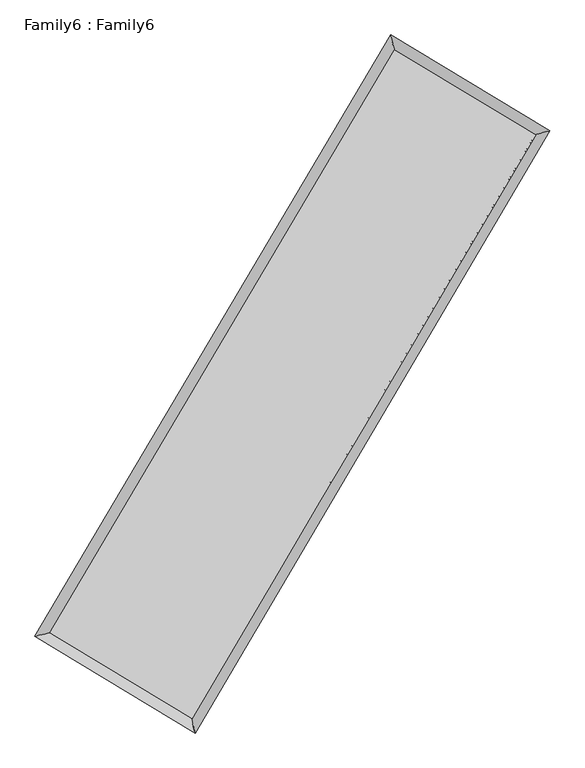
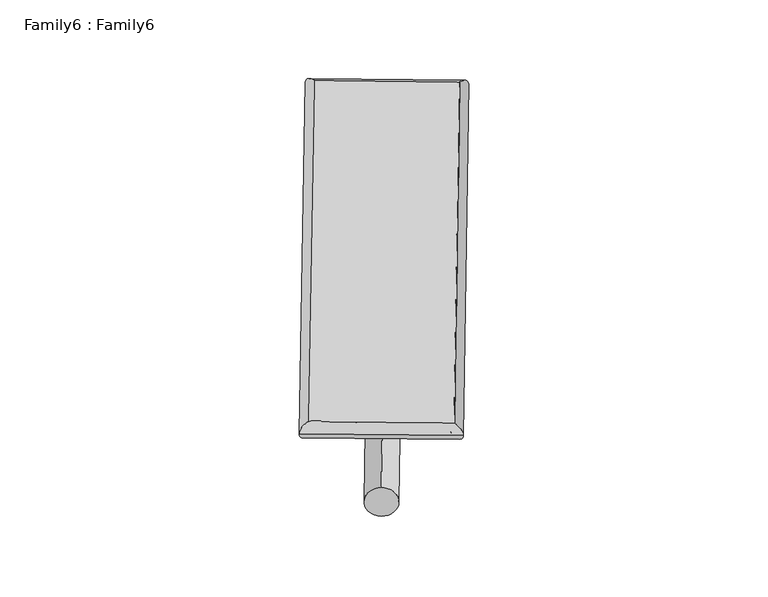
"""IFC4 building model written with IfcOpenShell, lengths in millimetres: plate geometry, Family6 : Family6."""

from ifc_helpers import new_model, si_unit, point, frame, origin, origin_2d, place, context, project, spatial, circle_curve, ellipse_curve, trimmed, segment, composite_curve, outline, extrude, source, transform, mapped, element, save
from ifc_brep_helpers import plane_surface, cylinder_surface, spline_surface, advanced_brep


def family6_family6_e72de1d5(model_context):
    return source(origin(), model_context, "Body", "SolidModel", [
        extrude(outline(composite_curve([segment(trimmed(circle_curve(origin_2d(), 76.2), [point((-75.4341514, -10.7763073))], [point((75.4341514, 10.7763073))], False, "CARTESIAN"), True, "CONTINUOUS"), segment(trimmed(circle_curve(origin_2d(), 76.2), [point((75.4341514, 10.7763073))], [point((-75.4341514, -10.7763073))], False, "CARTESIAN"), True, "CONTINUOUS")], self_intersect=False)), frame((9144.0, 9144.0, 0.0), z_axis=(0.6720700956369555, 0.6882352773231689, 0.27322882278126254), x_axis=(-0.6802209886661403, 0.7196153435509732, -0.13947459949422156)), (0.0, 0.0, 1.0), 5559.9955871),
        extrude(outline(composite_curve([segment(trimmed(circle_curve(origin_2d(), 76.2), [point((-53.8815367, 53.8815367))], [point((53.8815367, -53.8815367))], False, "CARTESIAN"), True, "CONTINUOUS"), segment(trimmed(circle_curve(origin_2d(), 76.2), [point((53.8815367, -53.8815367))], [point((-53.8815367, 53.8815367))], False, "CARTESIAN"), True, "CONTINUOUS")], self_intersect=False)), frame((9144.0, 9144.0, 0.0), z_axis=(-0.6731466337697316, -0.6871889648537659, 0.2732122545342516), x_axis=(0.6414793423896354, -0.358784641216516, 0.6780691959634332)), (0.0, 0.0, 1.0), 5560.5196487),
        extrude(outline(composite_curve([segment(trimmed(circle_curve(origin_2d(), 76.2), [point((-53.8815367, -53.8815367))], [point((53.8815367, 53.8815367))], False, "CARTESIAN"), True, "CONTINUOUS"), segment(trimmed(circle_curve(origin_2d(), 76.2), [point((53.8815367, 53.8815367))], [point((-53.8815367, -53.8815367))], False, "CARTESIAN"), True, "CONTINUOUS")], self_intersect=False)), frame((9144.0, 9144.0, 0.0), z_axis=(0.2784481589652411, 0.920731429874577, 0.273350062758333), x_axis=(-0.8390878876451698, 0.3716848782020465, -0.3972176583727073)), (0.0, 0.0, 1.0), 5581.1785606),
        extrude(outline(composite_curve([segment(trimmed(circle_curve(origin_2d(), 76.2), [point((-75.4341514, 10.7763073))], [point((75.4341514, -10.7763073))], False, "CARTESIAN"), True, "CONTINUOUS"), segment(trimmed(circle_curve(origin_2d(), 76.2), [point((75.4341514, -10.7763073))], [point((-75.4341514, 10.7763073))], False, "CARTESIAN"), True, "CONTINUOUS")], self_intersect=False)), frame((9144.0, 9144.0, 0.0), z_axis=(-0.277150514748053, -0.9211771560057433, 0.2731670540677618), x_axis=(0.8777368144281308, -0.127083952632307, 0.4619824169607613)), (0.0, 0.0, 1.0), 5585.1686335),
        advanced_brep(
        [(5192.8854994, 5270.3869226, 1519.7188263), (5609.0257409, 5375.3595679, 1519.8508109), (5609.0243336, 5375.3575945, 1518.6853929), (10751.1238214, 14073.0499343, 1524.9111116), (10645.0139687, 14492.4830986, 1526.319908), (5192.884092, 5270.3849492, 1518.5534083), (12672.7363177, 12917.7945291, 1519.2197466), (13088.6772142, 13023.3756805, 1519.0823512), (7542.9087109, 4209.0968292, 1525.5613776), (7649.2265657, 3789.0436556, 1525.8067466)],
        [
            (0, 1, ellipse_curve(frame((5400.9549165, 5322.8722586, 1519.2021096), z_axis=(-0.24459056708332136, 0.9696255161318722, -0.0013464619785895986), x_axis=(-0.9696232409821692, -0.2445930947144449, -0.0022335096249638145)), 214.589922, 152.4)),
            (1, 2, ellipse_curve(frame((5400.9549165, 5322.8722586, 1519.2021096), z_axis=(-0.24459056708332136, 0.9696255161318722, -0.0013464619785895986), x_axis=(-0.9696232409821692, -0.2445930947144449, -0.0022335096249638145)), 214.589922, 152.4)),
            (2, 3),
            (3, 4, ellipse_curve(frame((10698.068895, 14282.7665165, 1525.6155098), z_axis=(-0.9694560290913461, -0.24526138411868986, 0.0013642282153734035), x_axis=(0.24525806739951725, -0.9694552807120319, -0.002222402980782918)), 216.3247951, 152.4)),
            (4, 0),
            (2, 5, ellipse_curve(frame((5400.9549165, 5322.8722586, 1519.2021096), z_axis=(-0.24459056708332136, 0.9696255161318722, -0.0013464619785895986), x_axis=(-0.9696232409821692, -0.2445930947144449, -0.0022335096249638145)), 214.589922, 152.4)),
            (5, 0, ellipse_curve(frame((5400.9549165, 5322.8722586, 1519.2021096), z_axis=(-0.24459056708332136, 0.9696255161318722, -0.0013464619785895986), x_axis=(-0.9696232409821692, -0.2445930947144449, -0.0022335096249638145)), 214.589922, 152.4)),
            (4, 3, ellipse_curve(frame((10698.068895, 14282.7665165, 1525.6155098), z_axis=(-0.9694560290913461, -0.24526138411868986, 0.0013642282153734035), x_axis=(0.24525806739951725, -0.9694552807120319, -0.002222402980782918)), 216.3247951, 152.4)),
            (3, 6),
            (6, 7, ellipse_curve(frame((12880.7067659, 12970.5851048, 1519.1510489), z_axis=(-0.24603361018179357, 0.9692603639295734, 0.0013452048260602877), x_axis=(-0.9692580461697186, -0.24603614267905594, 0.0022486509001058796)), 214.5663653, 152.4)),
            (7, 4),
            (7, 6, ellipse_curve(frame((12880.7067659, 12970.5851048, 1519.1510489), z_axis=(-0.24603361018179357, 0.9692603639295734, 0.0013452048260602877), x_axis=(-0.9692580461697186, -0.24603614267905594, 0.0022486509001058796)), 214.5663653, 152.4)),
            (6, 8),
            (8, 9, ellipse_curve(frame((7596.0676383, 3999.0702424, 1525.6840621), z_axis=(0.969428873799909, 0.24536876823401682, 0.0013513764691645493), x_axis=(-0.24536547886077137, 0.9694281058128461, -0.0022202350194455837)), 216.6499131, 152.4)),
            (9, 7),
            (9, 8, ellipse_curve(frame((7596.0676383, 3999.0702424, 1525.6840621), z_axis=(0.969428873799909, 0.24536876823401682, 0.0013513764691645493), x_axis=(-0.24536547886077137, 0.9694281058128461, -0.0022202350194455837)), 216.6499131, 152.4)),
            (8, 1),
            (5, 9),
        ],
        [
            cylinder_surface(frame((5400.9549165, 5322.8722586, 1519.2021096), z_axis=(-0.5089165569232038, -0.8608156355646723, -0.0006161629824519566), x_axis=(-0.8608101626019435, 0.5089104571925775, 0.004001314941018116)), 152.4),
            cylinder_surface(frame((10698.068895, 14282.7665165, 1525.6155098), z_axis=(-0.8570396552490076, 0.5152442004611287, 0.0025383502190989998), x_axis=(0.5152492540833625, 0.8570378884925018, 0.0020649103739828413)), 152.4),
            cylinder_surface(frame((12880.7067659, 12970.5851048, 1519.1510489), z_axis=(0.507539190556966, 0.8616284445025264, -0.0006274336111337102), x_axis=(0.8616286559695018, -0.5075391905569661, 0.00017105838066850803)), 152.4),
            cylinder_surface(frame((7596.0676383, 3999.0702424, 1525.6840621), z_axis=(0.8563289802905697, -0.5164245186046957, 0.0025286554572516054), x_axis=(-0.5164215896631976, -0.856332692044183, -0.0017499331697222633)), 152.4),
        ],
        [
            (0, [[1, 2, 3, 4, 5]]),
            (0, [[6, 7, -5, 8, -3]]),
            (1, [[-4, 9, 10, 11]]),
            (1, [[-8, -11, 12, -9]]),
            (2, [[-10, 13, 14, 15]]),
            (2, [[-12, -15, 16, -13]]),
            (3, [[-14, 17, -1, -7, 18]]),
            (3, [[-16, -18, -6, -2, -17]]),
        ],
    ),
        extrude(outline(composite_curve([segment(trimmed(circle_curve(origin_2d(), 304.8), [point((0.0, -304.8))], [point((0.0, 304.8))], False, "CARTESIAN"), True, "CONTINUOUS"), segment(trimmed(circle_curve(origin_2d(), 304.8), [point((0.0, 304.8))], [point((0.0, -304.8))], False, "CARTESIAN"), True, "CONTINUOUS")], self_intersect=False)), frame((6491.4410662, 4641.8439005, -9.99e-05), z_axis=(0.5076216617011668, 0.8615800883096976, 1.9111280002041175e-08), x_axis=(-0.8615800883096976, 0.5076216617011667, 5.211325460985745e-09)), (0.0, 0.0, 1.0), 10450.928847),
        advanced_brep(
        [(5400.9549165, 5322.8722586, 1519.2021096), (7596.0676383, 3999.0702424, 1525.6840621), (7596.0665654, 3999.0719107, 1678.0840621), (5400.9538436, 5322.8739269, 1671.6021096), (12880.7067659, 12970.5851048, 1519.1510489), (12880.7056931, 12970.5867731, 1671.5510489), (10698.068895, 14282.7665165, 1525.6155098), (10698.0678222, 14282.7681848, 1678.0155098)],
        [
            (0, 1),
            (1, 2),
            (2, 3),
            (3, 0),
            (1, 4),
            (4, 5),
            (5, 2),
            (4, 6),
            (6, 7),
            (7, 5),
            (6, 0),
            (3, 7),
        ],
        [
            plane_surface(frame((6498.5112774, 4660.9712505, 1522.4430858), z_axis=(-0.5164261820652243, -0.8563317105214563, 5.738736540629192e-06), x_axis=(0.85632898029057, -0.5164245186046953, 0.002528655457251611))),
            plane_surface(frame((10238.3872021, 8484.8276736, 1522.4175555), z_axis=(0.8616286177451892, -0.5075392841420758, 1.1621703851550519e-05), x_axis=(0.5075391905569656, 0.8616284445025268, -0.0006274336111337062))),
            plane_surface(frame((11789.3878305, 13626.6758106, 1522.3832794), z_axis=(0.5152458478574462, 0.8570424238230824, -5.7548260059497956e-06), x_axis=(-0.8570396552490074, 0.515244200461129, 0.0025383502190990015))),
            plane_surface(frame((8049.5119058, 9802.8193875, 1522.4088097), z_axis=(-0.8608157952665387, 0.5089166596647775, -1.1631059889920237e-05), x_axis=(-0.5089165569232043, -0.860815635564672, -0.0006161629824519542))),
            spline_surface(1, 1, [[(7596.0665654, 3999.0719107, 1678.0840621), (5400.9538436, 5322.8739269, 1671.6021096)], [(12880.7056931, 12970.5867731, 1671.5510489), (10698.0678222, 14282.7681848, 1678.0155098)]], [2, 2], [2, 2], [0.0, 1.0], [0.0, 1.0]),
            spline_surface(1, 1, [[(10698.068895, 14282.7665165, 1525.6155098), (5400.9549165, 5322.8722586, 1519.2021096)], [(12880.7067659, 12970.5851048, 1519.1510489), (7596.0676383, 3999.0702424, 1525.6840621)]], [2, 2], [2, 2], [0.0, 1.0], [0.0, 1.0]),
        ],
        [
            (0, [[1, 2, 3, 4]]),
            (1, [[5, 6, 7, -2]]),
            (2, [[8, 9, 10, -6]]),
            (3, [[11, -4, 12, -9]]),
            (4, [[-3, -7, -10, -12]]),
            (5, [[-11, -8, -5, -1]]),
        ],
    ),
    ])


if __name__ == "__main__":
    model = new_model("IFC4")
    model_context = context("Model", 3, world=origin())
    ifc_project = project(units=[si_unit("LENGTHUNIT", "METRE", prefix="MILLI")], contexts=[model_context])
    site = spatial("IfcSite", under=ifc_project)
    building = spatial("IfcBuilding", under=site)
    placement = place(None, origin())
    family6_family6_shape = family6_family6_e72de1d5(model_context)
    element("IfcPlate", 1, ObjectType="Family6 : Family6", at=placement, inside=building, context=model_context, shape_type="MappedRepresentation", body=[
        mapped(family6_family6_shape, transform((0.0, 0.0, 0.0), x_axis=(1.0, 0.0, 0.0), y_axis=(0.0, 1.0, 0.0), z_axis=(0.0, 0.0, 1.0))),
    ])
    save(model, "model.ifc")
